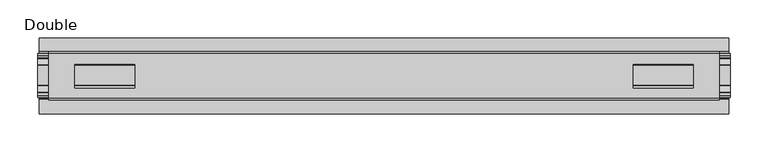
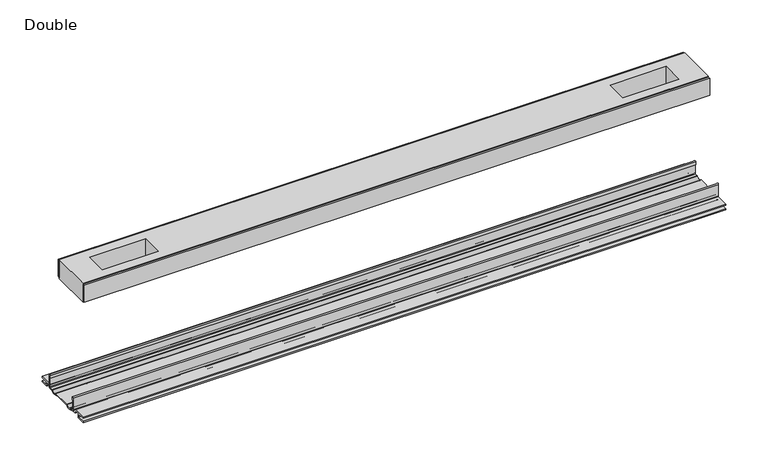
"""IFC4 building model written with IfcOpenShell, lengths in millimetres: proxy geometry, Double."""

from ifc_helpers import new_model, si_unit, point, frame, frame_2d, origin, place, context, project, spatial, polyline, circle_curve, trimmed, segment, composite_curve, outline, extrude, source, transform, mapped, element, save


def double_37cfa43e(model_context):
    return source(origin(), model_context, "Body", "SweptSolid", [
        extrude(outline(polyline([(441.2615091, -29.0068005), (441.2615091, -32.1817997), (-441.2615091, -32.1817997), (-441.2615091, -29.0068005), (441.2615091, -29.0068005)])), frame((0.0, 0.0, 149.8401622), z_axis=(0.0, 0.0, 1.0), x_axis=(1.0, 0.0, 0.0)), (0.0, 0.0, 1.0), 25.3999939),
        extrude(outline(polyline([(441.2615091, 32.1817997), (441.2615091, 29.0068005), (-441.2615091, 29.0068005), (-441.2615091, 32.1817997), (441.2615091, 32.1817997)])), frame((0.0, 0.0, 149.8401622), z_axis=(0.0, 0.0, 1.0), x_axis=(1.0, 0.0, 0.0)), (0.0, 0.0, 1.0), 25.3999939),
        extrude(outline(polyline([(441.2615091, 29.0068005), (441.2615091, -29.0068005), (-441.2615091, -29.0068005), (-441.2615091, 29.0068005), (441.2615091, 29.0068005)]), holes=[polyline([(406.8444965, 15.1130038), (327.7996847, 15.1130038), (327.7996847, -15.875003), (406.8444965, -15.875003), (406.8444965, 15.1130038)]), polyline([(-406.8444965, 15.1130038), (-406.8444965, -15.875003), (-327.7996847, -15.875003), (-327.7996847, 15.1130038), (-406.8444965, 15.1130038)])]), frame((0.0, 0.0, 148.4185847), z_axis=(0.0, 0.0, 1.0), x_axis=(1.0, 0.0, 0.0)), (0.0, 0.0, 1.0), 27.9999988),
        extrude(outline(composite_curve([segment(polyline([(-28.8162961, -7.7516037), (-28.8162961, 9.8607558)]), True, "CONTINUOUS"), segment(trimmed(circle_curve(frame_2d((-27.5970982, 9.8607558)), 1.2191979), [point((-28.8162961, 9.8607558))], [point((-26.3779003, 9.8607558))], False, "CARTESIAN"), True, "CONTINUOUS"), segment(polyline([(-26.3779003, 9.8607558), (-26.3779003, 5.9999563), (-27.6580769, 5.9999563), (-27.6580769, -7.7516037)]), True, "CONTINUOUS"), segment(trimmed(circle_curve(frame_2d((-26.6420561, -7.7516037)), 1.0160208), [point((-27.6580769, -7.7516037))], [point((-26.6485732, -8.7676036))], True, "CARTESIAN"), True, "CONTINUOUS"), segment(polyline([(-26.6485732, -8.7676036), (-22.7056226, -8.7676036), (-21.7922609, -8.968753)]), True, "CONTINUOUS"), segment(trimmed(circle_curve(frame_2d((-17.7673021, -6.1259382)), 4.9276657), [point((-21.7922609, -8.968753))], [point((-13.7423434, -8.968753))], True, "CARTESIAN"), True, "CONTINUOUS"), segment(polyline([(-13.7423434, -8.968753), (-12.8289726, -8.7676036), (13.2099722, -8.7676036), (14.123343, -8.968753)]), True, "CONTINUOUS"), segment(trimmed(circle_curve(frame_2d((18.1483018, -6.1259382)), 4.9276657), [point((14.123343, -8.968753))], [point((22.1732605, -8.968753))], True, "CARTESIAN"), True, "CONTINUOUS"), segment(polyline([(22.1732605, -8.968753), (23.0866222, -8.7676036), (27.0295728, -8.7676036)]), True, "CONTINUOUS"), segment(trimmed(circle_curve(frame_2d((27.0230557, -7.7516037)), 1.0160208), [point((27.0295728, -8.7676036))], [point((28.0390765, -7.7516037))], True, "CARTESIAN"), True, "CONTINUOUS"), segment(polyline([(28.0390765, -7.7516037), (28.0390765, 5.9999563), (26.7588999, 5.9999563), (26.7588999, 9.8607558)]), True, "CONTINUOUS"), segment(trimmed(circle_curve(frame_2d((27.9780978, 9.8607558)), 1.2191979), [point((26.7588999, 9.8607558))], [point((29.1972958, 9.8607558))], False, "CARTESIAN"), True, "CONTINUOUS"), segment(polyline([(29.1972958, 9.8607558), (29.1972958, -7.7516037)]), True, "CONTINUOUS"), segment(trimmed(circle_curve(frame_2d((27.0230557, -7.7516037)), 2.17424), [point((29.1972958, -7.7516037))], [point((27.0230557, -9.9258438))], False, "CARTESIAN"), True, "CONTINUOUS"), segment(polyline([(27.0230557, -9.9258438), (22.732069, -9.9258438)]), True, "CONTINUOUS"), segment(trimmed(circle_curve(frame_2d((18.1516545, -6.4800016)), 5.7318431), [point((22.732069, -9.9258438))], [point((13.57124, -9.9258438))], False, "CARTESIAN"), True, "CONTINUOUS"), segment(polyline([(13.57124, -9.9258438), (-13.1902404, -9.9258438)]), True, "CONTINUOUS"), segment(trimmed(circle_curve(frame_2d((-17.7706549, -6.4800016)), 5.7318431), [point((-13.1902404, -9.9258438))], [point((-22.3510694, -9.9258438))], False, "CARTESIAN"), True, "CONTINUOUS"), segment(polyline([(-22.3510694, -9.9258438), (-26.6420561, -9.9258438)]), True, "CONTINUOUS"), segment(trimmed(circle_curve(frame_2d((-26.6420561, -7.7516037)), 2.17424), [point((-26.6420561, -9.9258438))], [point((-28.8162961, -7.7516037))], False, "CARTESIAN"), True, "CONTINUOUS")], self_intersect=False)), frame((-455.3204, 0.0, 0.0), z_axis=(1.0, 0.0, 0.0), x_axis=(0.0, 1.0, 0.0)), (0.0, 0.0, 1.0), 910.6408),
        extrude(outline(composite_curve([segment(polyline([(-50.2668422, -13.9898438), (-50.2240211, -12.3388438), (-39.7827507, -12.3388438), (-39.7827507, -7.766844), (-50.2240211, -7.766844), (-50.2668422, -6.1158439), (-31.1784975, -6.1158439)]), True, "CONTINUOUS"), segment(trimmed(circle_curve(frame_2d((-31.1784975, -7.6398436)), 1.5239997), [point((-31.1784975, -6.1158439))], [point((-29.6544978, -7.6398436))], False, "CARTESIAN"), True, "CONTINUOUS"), segment(polyline([(-29.6544978, -7.6398436), (-29.6544978, -9.9258438), (-23.1058344, -9.9258438)]), True, "CONTINUOUS"), segment(trimmed(circle_curve(frame_2d((-17.7673021, -5.2268471)), 7.1119966), [point((-23.1058344, -9.9258438))], [point((-12.4287699, -9.9258438))], True, "CARTESIAN"), True, "CONTINUOUS"), segment(polyline([(-12.4287699, -9.9258438), (12.8097695, -9.9258438)]), True, "CONTINUOUS"), segment(trimmed(circle_curve(frame_2d((18.1483018, -5.2268471)), 7.1119966), [point((12.8097695, -9.9258438))], [point((23.486834, -9.9258438))], True, "CARTESIAN"), True, "CONTINUOUS"), segment(polyline([(23.486834, -9.9258438), (30.0354975, -9.9258438), (30.0354975, -7.7656583)]), True, "CONTINUOUS"), segment(trimmed(circle_curve(frame_2d((31.6864982, -7.7656583)), 1.6510007), [point((30.0354975, -7.7656583))], [point((31.6239218, -6.1158439))], False, "CARTESIAN"), True, "CONTINUOUS"), segment(polyline([(31.6239218, -6.1158439), (50.00625, -6.1158439), (50.00625, -7.766844), (40.1637503, -7.766844), (40.1637503, -12.3388438), (50.00625, -12.3388438), (50.00625, -13.9898438), (40.0367518, -13.9898438)]), True, "CONTINUOUS"), segment(trimmed(circle_curve(frame_2d((40.0367518, -12.4658438)), 1.524), [point((40.0367518, -13.9898438))], [point((38.5127519, -12.4658438))], False, "CARTESIAN"), True, "CONTINUOUS"), segment(polyline([(38.5127519, -12.4658438), (38.5127519, -7.766844), (31.686497, -7.766844), (31.686497, -10.0528438)]), True, "CONTINUOUS"), segment(trimmed(circle_curve(frame_2d((30.1624971, -10.0528438)), 1.524), [point((31.686497, -10.0528438))], [point((30.1624971, -11.5768438))], False, "CARTESIAN"), True, "CONTINUOUS"), segment(polyline([(30.1624971, -11.5768438), (23.6563549, -11.5768438)]), True, "CONTINUOUS"), segment(trimmed(circle_curve(frame_2d((18.1483018, -6.4968436)), 7.4930002), [point((23.6563549, -11.5768438))], [point((12.8904968, -11.8354331))], False, "CARTESIAN"), True, "CONTINUOUS"), segment(polyline([(12.8904968, -11.8354331), (-12.5094972, -11.8354331)]), True, "CONTINUOUS"), segment(trimmed(circle_curve(frame_2d((-17.7673021, -6.4968436)), 7.4930002), [point((-12.5094972, -11.8354331))], [point((-23.2753553, -11.5768438))], False, "CARTESIAN"), True, "CONTINUOUS"), segment(polyline([(-23.2753553, -11.5768438), (-29.7814974, -11.5768438)]), True, "CONTINUOUS"), segment(trimmed(circle_curve(frame_2d((-29.7814974, -10.0528438)), 1.524), [point((-29.7814974, -11.5768438))], [point((-31.3054974, -10.0528438))], False, "CARTESIAN"), True, "CONTINUOUS"), segment(polyline([(-31.3054974, -10.0528438), (-31.3054974, -7.766844), (-38.1317522, -7.766844), (-38.1317522, -12.4658438)]), True, "CONTINUOUS"), segment(trimmed(circle_curve(frame_2d((-39.6557522, -12.4658438)), 1.524), [point((-38.1317522, -12.4658438))], [point((-39.6557522, -13.9898438))], False, "CARTESIAN"), True, "CONTINUOUS"), segment(polyline([(-39.6557522, -13.9898438), (-50.2668422, -13.9898438)]), True, "CONTINUOUS")], self_intersect=False)), frame((-453.6694, 0.0, 0.0), z_axis=(1.0, 0.0, 0.0), x_axis=(0.0, 1.0, 0.0)), (0.0, 0.0, 1.0), 907.3388),
    ])


if __name__ == "__main__":
    model = new_model("IFC4")
    model_context = context("Model", 3, world=origin())
    ifc_project = project(units=[si_unit("LENGTHUNIT", "METRE", prefix="MILLI")], contexts=[model_context])
    site = spatial("IfcSite", under=ifc_project)
    building = spatial("IfcBuilding", under=site)
    placement = place(None, origin())
    double_shape = double_37cfa43e(model_context)
    element("IfcBuildingElementProxy", 1, Name="Double", ObjectType="Double", at=placement, inside=building, context=model_context, shape_type="MappedRepresentation", body=[
        mapped(double_shape, transform((0.0, 0.0, 0.0), x_axis=(1.0, 0.0, 0.0), y_axis=(0.0, 1.0, 0.0), z_axis=(0.0, 0.0, 1.0))),
    ])
    save(model, "model.ifc")
